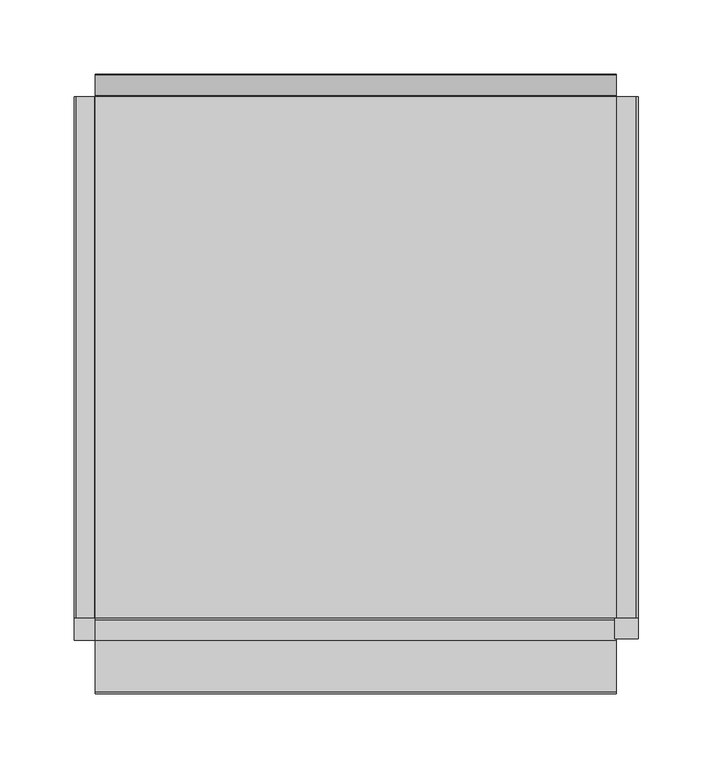
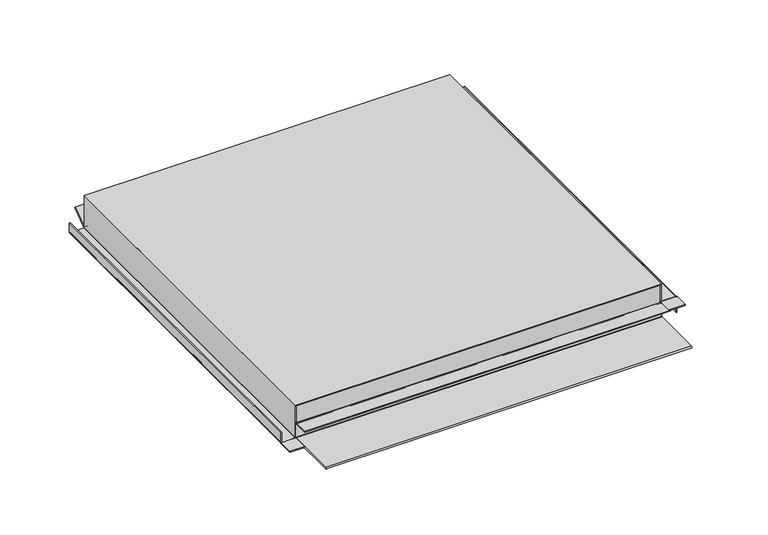
"""IFC4 building model written with IfcOpenShell, lengths in millimetres: proxy geometry."""

from ifc_helpers import new_model, si_unit, point, frame, frame_2d, origin, place, context, project, spatial, polyline, circle_curve, trimmed, segment, composite_curve, outline, extrude, faceted_brep, source, transform, mapped, element, save
from ifc_brep_helpers import plane_surface, cylinder_surface, revolved_surface, advanced_brep


def generic_models_163d2c29(model_context):
    return source(origin(), model_context, "Body", "SolidModel", [
        extrude(outline(composite_curve([segment(polyline([(0.33125, -187.7), (0.33125, -175.5)]), True, "CONTINUOUS"), segment(trimmed(circle_curve(frame_2d((1.63125, -175.5)), 1.3), [point((0.33125, -175.5))], [point((1.63125, -174.2))], False, "CARTESIAN"), True, "CONTINUOUS"), segment(polyline([(1.63125, -174.2), (33.33125, -174.2), (33.33125, -175.0), (1.63125, -175.0)]), True, "CONTINUOUS"), segment(trimmed(circle_curve(frame_2d((1.63125, -175.5)), 0.5), [point((1.63125, -175.0))], [point((1.13125, -175.5))], True, "CARTESIAN"), True, "CONTINUOUS"), segment(polyline([(1.13125, -175.5), (1.13125, -187.7)]), True, "CONTINUOUS"), segment(trimmed(circle_curve(frame_2d((1.63125, -187.7)), 0.5), [point((1.13125, -187.7))], [point((1.63125, -188.2))], True, "CARTESIAN"), True, "CONTINUOUS"), segment(polyline([(1.63125, -188.2), (11.33125, -188.2), (11.33125, -189.0), (1.63125, -189.0)]), True, "CONTINUOUS"), segment(trimmed(circle_curve(frame_2d((1.63125, -187.7)), 1.3), [point((1.63125, -189.0))], [point((0.33125, -187.7))], False, "CARTESIAN"), True, "CONTINUOUS")], self_intersect=False)), frame((0.0, -175.0, 0.0), z_axis=(0.0, 1.0, 0.0), x_axis=(0.0, 0.0, 1.0)), (0.0, 0.0, 1.0), 350.0),
        extrude(outline(polyline([(-189.0, -190.0), (-189.0, -175.0), (-174.2, -175.0), (-174.2, -190.0), (-189.0, -190.0)])), frame((0.0, 0.0, 0.33125), z_axis=(0.0, 0.0, 1.0), x_axis=(1.0, 0.0, 0.0)), (0.0, 0.0, 1.0), 0.8),
        extrude(outline(composite_curve([segment(polyline([(15.9, 175.5), (15.9, 188.7)]), True, "CONTINUOUS"), segment(trimmed(circle_curve(frame_2d((15.4, 188.7)), 0.5), [point((15.9, 188.7))], [point((15.4, 189.2))], True, "CARTESIAN"), True, "CONTINUOUS"), segment(polyline([(15.4, 189.2), (0.33125, 189.2), (0.33125, 190.0), (15.4, 190.0)]), True, "CONTINUOUS"), segment(trimmed(circle_curve(frame_2d((15.4, 188.7)), 1.3), [point((15.4, 190.0))], [point((16.7, 188.7))], False, "CARTESIAN"), True, "CONTINUOUS"), segment(polyline([(16.7, 188.7), (16.7, 175.5)]), True, "CONTINUOUS"), segment(trimmed(circle_curve(frame_2d((17.2, 175.5)), 0.5), [point((16.7, 175.5))], [point((17.2, 175.0))], True, "CARTESIAN"), True, "CONTINUOUS"), segment(polyline([(17.2, 175.0), (33.33125, 175.0), (33.33125, 174.2), (17.2, 174.2)]), True, "CONTINUOUS"), segment(trimmed(circle_curve(frame_2d((17.2, 175.5)), 1.3), [point((17.2, 174.2))], [point((15.9, 175.5))], False, "CARTESIAN"), True, "CONTINUOUS")], self_intersect=False)), frame((0.0, -175.0, 0.0), z_axis=(0.0, 1.0, 0.0), x_axis=(0.0, 0.0, 1.0)), (0.0, 0.0, 1.0), 350.0),
        extrude(outline(polyline([(190.0, -189.0), (174.2, -189.0), (174.2, -175.0), (190.0, -175.0), (190.0, -189.0)])), frame((0.0, 0.0, 15.9), z_axis=(0.0, 0.0, 1.0), x_axis=(1.0, 0.0, 0.0)), (0.0, 0.0, 1.0), 0.8),
        extrude(outline(composite_curve([segment(polyline([(-175.5, 0.0), (-225.15, 0.0)]), True, "CONTINUOUS"), segment(trimmed(circle_curve(frame_2d((-225.15, 0.85)), 0.85), [point((-225.15, 0.0))], [point((-225.15, 1.7))], False, "CARTESIAN"), True, "CONTINUOUS"), segment(polyline([(-225.15, 1.7), (-176.55, 1.7)]), True, "CONTINUOUS"), segment(trimmed(circle_curve(frame_2d((-176.55, 2.2)), 0.5), [point((-176.55, 1.7))], [point((-176.05, 2.2))], True, "CARTESIAN"), True, "CONTINUOUS"), segment(polyline([(-176.05, 2.2), (-176.05, 15.4)]), True, "CONTINUOUS"), segment(trimmed(circle_curve(frame_2d((-176.55, 15.4)), 0.5), [point((-176.05, 15.4))], [point((-176.55, 15.9))], True, "CARTESIAN"), True, "CONTINUOUS"), segment(polyline([(-176.55, 15.9), (-190.25, 15.9), (-190.25, 16.7), (-176.55, 16.7)]), True, "CONTINUOUS"), segment(trimmed(circle_curve(frame_2d((-176.55, 15.4)), 1.3), [point((-176.55, 16.7))], [point((-175.25, 15.4))], False, "CARTESIAN"), True, "CONTINUOUS"), segment(polyline([(-175.25, 15.4), (-175.25, 2.2)]), True, "CONTINUOUS"), segment(trimmed(circle_curve(frame_2d((-176.55, 2.2)), 1.3), [point((-175.25, 2.2))], [point((-176.55, 0.9))], False, "CARTESIAN"), True, "CONTINUOUS"), segment(polyline([(-176.55, 0.9), (-215.65, 0.9), (-175.5, 0.8)]), True, "CONTINUOUS"), segment(trimmed(circle_curve(frame_2d((-175.5, 1.3)), 0.5), [point((-175.5, 0.8))], [point((-175.0, 1.3))], True, "CARTESIAN"), True, "CONTINUOUS"), segment(polyline([(-175.0, 1.3), (-175.0, 33.0), (-174.2, 33.0), (-174.2, 1.3)]), True, "CONTINUOUS"), segment(trimmed(circle_curve(frame_2d((-175.5, 1.3)), 1.3), [point((-174.2, 1.3))], [point((-175.5, 0.0))], False, "CARTESIAN"), True, "CONTINUOUS")], self_intersect=False)), frame((-175.0, 0.0, 0.0), z_axis=(1.0, 0.0, 0.0), x_axis=(0.0, 1.0, 0.0)), (0.0, 0.0, 1.0), 350.0),
        advanced_brep(
        [(175.0, 175.0, 33.0), (-175.0, 175.0, 33.0), (-175.0, 174.2, 33.0), (175.0, 174.2, 33.0), (175.0, 175.0, 3.3), (175.0, 174.2, 3.3), (175.0, 176.4200663, 2.3815894), (175.0, 190.1302674, 12.712967), (175.0, 189.6488154, 13.3518754), (175.0, 175.8830222, 2.9786062), (-175.0, 175.0, 3.3), (-175.0, 175.8830222, 2.9786062), (-175.0, 189.6488154, 13.3518754), (-175.0, 190.1302674, 12.712967), (-175.0, 176.3644742, 2.3396978), (-175.0, 174.2, 3.3)],
        [
            (0, 1),
            (1, 2),
            (2, 3),
            (3, 0),
            (4, 0),
            (3, 5),
            (5, 6, circle_curve(frame((175.0, 175.5, 3.3), z_axis=(1.0, 0.0, 0.0), x_axis=(0.0, 1.0, 0.0)), 1.3)),
            (6, 7),
            (7, 8),
            (8, 9),
            (9, 4, circle_curve(frame((175.0, 175.5, 3.3), z_axis=(-1.0, 0.0, 0.0), x_axis=(0.0, 1.0, 0.0)), 0.5)),
            (10, 11, circle_curve(frame((-175.0, 175.5, 3.3), z_axis=(1.0, 0.0, 0.0), x_axis=(0.0, 1.0, 0.0)), 0.5)),
            (11, 12),
            (12, 13),
            (13, 14),
            (14, 15, circle_curve(frame((-175.0, 175.5, 3.3), z_axis=(-1.0, 0.0, 0.0), x_axis=(0.0, 1.0, 0.0)), 1.3)),
            (15, 2),
            (1, 10),
            (4, 10),
            (9, 11),
            (8, 12),
            (5, 15),
            (14, 6),
            (7, 13),
        ],
        [
            plane_surface(frame((175.0, 174.2, 33.0), z_axis=(0.0, 0.0, 1.0), x_axis=(-1.0, 0.0, 0.0))),
            plane_surface(frame((175.0, 176.0, 3.3), z_axis=(1.0, 0.0, 0.0), x_axis=(0.0, 0.0, 1.0))),
            plane_surface(frame((-175.0, 176.0, 3.3), z_axis=(-1.0, 0.0, 0.0), x_axis=(0.0, 0.0, -1.0))),
            plane_surface(frame((175.0, 175.0, 33.0), z_axis=(0.0, 1.0, 0.0), x_axis=(-1.0, 0.0, 0.0))),
            revolved_surface(polyline([(-175.0, 176.0, 3.3), (175.0, 176.0, 3.3)]), (-175.0, 175.5, 3.3), (-1.0, 0.0, 0.0)),
            plane_surface(frame((175.0, 175.8830222, 2.9786062), z_axis=(0.0, -0.6018150231519699, 0.798635510047352), x_axis=(-1.0, 0.0, 0.0))),
            cylinder_surface(frame((-175.0, 175.5, 3.3), z_axis=(1.0, 0.0, 0.0), x_axis=(0.0, 1.0, 0.0)), 1.3),
            plane_surface(frame((175.0, 174.2, 3.3), z_axis=(0.0, -1.0, 0.0), x_axis=(-1.0, 0.0, 0.0))),
            plane_surface(frame((175.0, 189.6488154, 13.3518754), z_axis=(0.0, 0.798635510047358, 0.6018150231519618), x_axis=(-1.0, 0.0, 0.0))),
            plane_surface(frame((175.0, 190.1302674, 12.712967), z_axis=(0.0, 0.6018150231519698, -0.798635510047352), x_axis=(-1.0, 0.0, 0.0))),
        ],
        [
            (0, [[1, 2, 3, 4]]),
            (1, [[5, -4, 6, 7, 8, 9, 10, 11]]),
            (2, [[12, 13, 14, 15, 16, 17, -2, 18]]),
            (3, [[19, -18, -1, -5]]),
            (4, [[20, -12, -19, -11]]),
            (5, [[21, -13, -20, -10]]),
            (6, [[22, -16, 23, -7]]),
            (7, [[-3, -17, -22, -6]]),
            (8, [[24, -14, -21, -9]]),
            (9, [[-23, -15, -24, -8]]),
        ],
    ),
        faceted_brep([(-175.0, -175.0, 34.0), (175.0, -175.0, 34.0), (175.0, 175.0, 34.0), (-175.0, 175.0, 34.0), (-175.0, -175.0, 33.0), (-175.0, -174.2, 33.0), (-175.0, 175.0, 33.0), (175.0, 175.0, 33.0), (175.0, -174.2, 33.0), (175.0, -175.0, 33.0)], [[[0, 1, 2, 3]], [[4, 5, 6, 7, 8, 9]], [[3, 6, 5, 4, 0]], [[2, 7, 6, 3]], [[1, 9, 8, 7, 2]], [[0, 4, 9, 1]]]),
    ])


if __name__ == "__main__":
    model = new_model("IFC4")
    model_context = context("Model", 3, world=origin())
    ifc_project = project(units=[si_unit("LENGTHUNIT", "METRE", prefix="MILLI")], contexts=[model_context])
    site = spatial("IfcSite", under=ifc_project)
    building = spatial("IfcBuilding", under=site)
    placement = place(None, origin())
    generic_models_shape = generic_models_163d2c29(model_context)
    element("IfcBuildingElementProxy", 1, Name="Generic Models", at=placement, inside=building, context=model_context, shape_type="MappedRepresentation", body=[
        mapped(generic_models_shape, transform((0.0, 0.0, 0.0), x_axis=(1.0, 0.0, 0.0), y_axis=(0.0, 1.0, 0.0), z_axis=(0.0, 0.0, 1.0))),
    ])
    save(model, "model.ifc")
